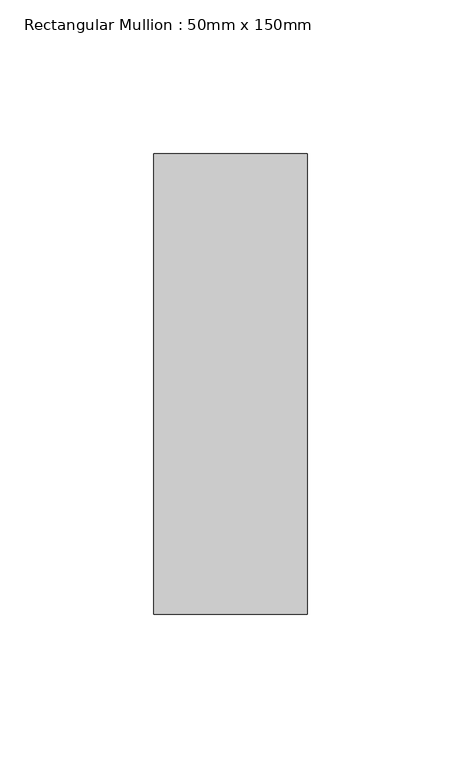
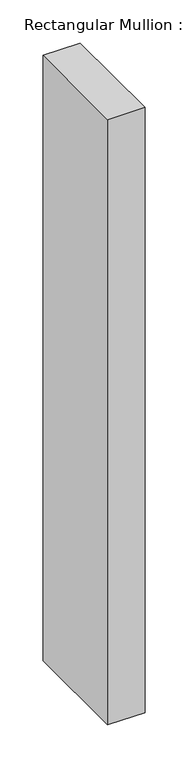
"""IFC4 building model written with IfcOpenShell, lengths in millimetres: member geometry, Rectangular Mullion : 50mm x 150mm."""

from ifc_helpers import new_model, si_unit, frame, origin, place, context, project, spatial, polyline, outline, extrude, source, transform, mapped, element, save


def rectangular_mullion_50mm_x_150mm_0ac6ad89(model_context):
    return source(origin(), model_context, "Body", "SweptSolid", [
        extrude(outline(polyline([(0.0, 75.0), (0.0, -75.0), (-50.0, -75.0), (-50.0, 75.0), (0.0, 75.0)])), frame((0.0, 0.0, -857.0247946), z_axis=(0.0, 0.0, 1.0), x_axis=(1.0, 0.0, 0.0)), (0.0, 0.0, 1.0), 857.0247946),
    ])


if __name__ == "__main__":
    model = new_model("IFC4")
    model_context = context("Model", 3, world=origin())
    ifc_project = project(units=[si_unit("LENGTHUNIT", "METRE", prefix="MILLI")], contexts=[model_context])
    site = spatial("IfcSite", under=ifc_project)
    building = spatial("IfcBuilding", under=site)
    placement = place(None, origin())
    rectangular_mullion_50mm_x_150mm_shape = rectangular_mullion_50mm_x_150mm_0ac6ad89(model_context)
    element("IfcMember", 1, ObjectType="Rectangular Mullion : 50mm x 150mm", at=placement, inside=building, context=model_context, shape_type="MappedRepresentation", body=[
        mapped(rectangular_mullion_50mm_x_150mm_shape, transform((0.0, 0.0, 0.0), x_axis=(1.0, 0.0, 0.0), y_axis=(0.0, 1.0, 0.0), z_axis=(0.0, 0.0, 1.0))),
    ])
    save(model, "model.ifc")
